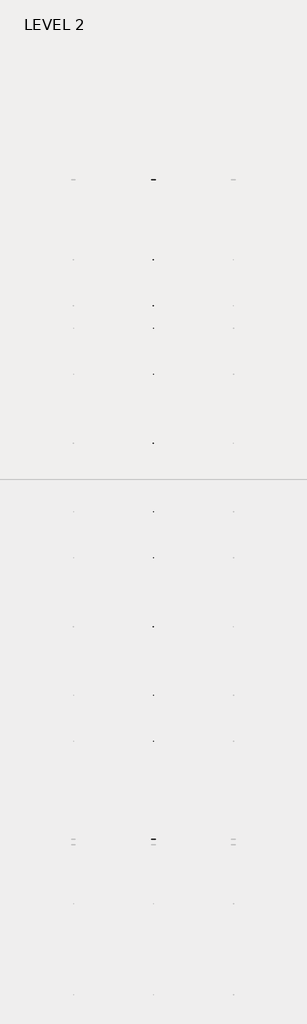
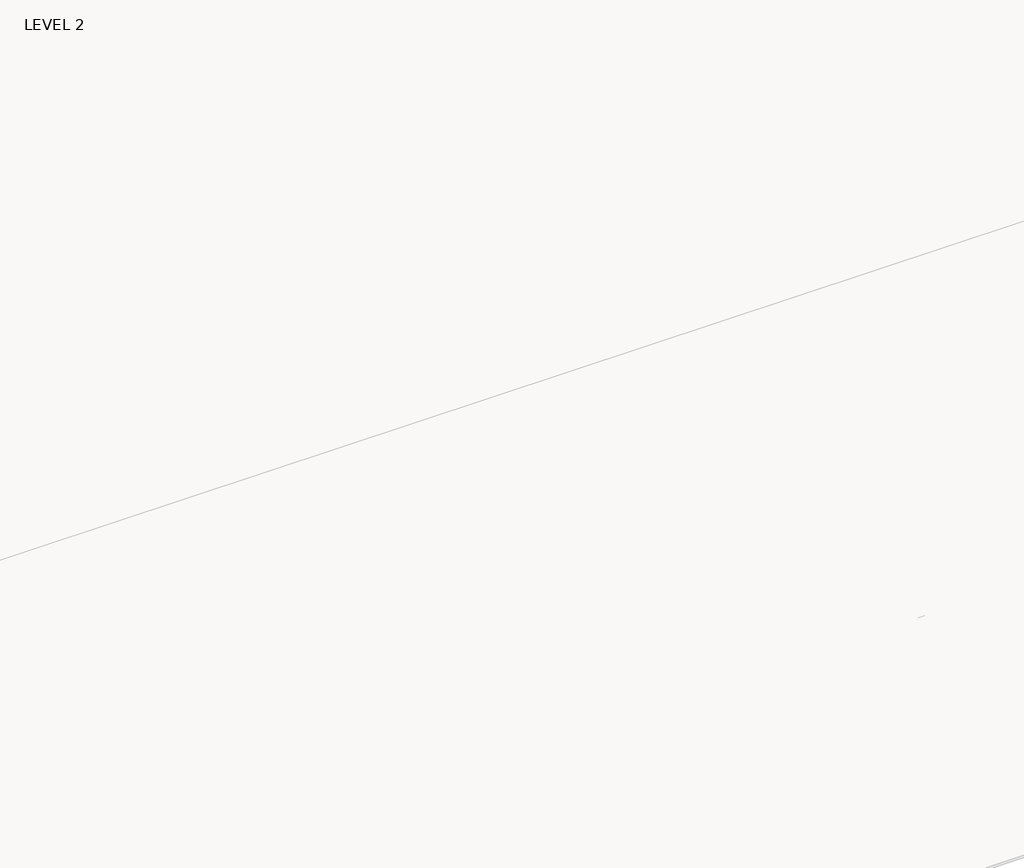
# One storey, part 34 of 67: 1 beam.
"""IFC4 building model written with IfcOpenShell, lengths in millimetres."""

from ifc_helpers import new_model, si_unit, frame, origin, place, context, project, spatial, polyline, outline, extrude, faceted_brep, element, save

model = new_model("IFC4")

# Units and contexts
model_context = context("Model", 3, world=origin())
ifc_project = project(units=[si_unit("LENGTHUNIT", "METRE", prefix="MILLI")], contexts=[model_context])

# Site, building, storey
site = spatial("IfcSite", under=ifc_project)
building = spatial("IfcBuilding", under=site)
storey = spatial("IfcBuildingStorey", under=building, Name="LEVEL 2", Elevation=6908.8)

# Beam
placement = place(None, origin())
element("IfcBeam", 1, ObjectType="K-Series Bar Joist-Angle Web : 30K7", at=placement, inside=storey, context=model_context, shape_type="SolidModel", body=[
    extrude(outline(polyline([(0.0, -9.525), (0.0, 0.0), (1596.011582, 0.0), (1596.011582, -9.525), (0.0, -9.525)])), frame((29301.0014942, 3035.5608234, 6301.5998528), z_axis=(0.0, -0.45537207995192985, 0.8903012236317849), x_axis=(0.0, -0.8903012236317849, -0.45537207995192985)), (0.0, 0.0, 1.0), 9.525),
    extrude(outline(polyline([(0.0, -9.525), (0.0, 0.0), (1596.011582, 0.0), (1596.011582, -9.525), (0.0, -9.525)])), frame((29291.4764942, -9405.2089013, 6276.405159), z_axis=(0.0, 0.45176233395621196, 0.8921383265046045), x_axis=(0.0, 0.8921383265046045, -0.45176233395621196)), (0.0, 0.0, 1.0), 9.525),
    extrude(outline(polyline([(4.7625, 4.7625), (4.7625, -4.7625), (-4.7625, -4.7625), (-4.7625, 4.7625), (4.7625, 4.7625)])), frame((29296.2389942, 1612.4610495, 5579.0607987), z_axis=(0.0, 0.5141906943646374, 0.8576758885667779), x_axis=(-1.0, 0.0, 0.0)), (0.0, 0.0, 1.0), 845.0528554),
    extrude(outline(polyline([(4.7625, 4.7625), (4.7625, -4.7625), (-4.7625, -4.7625), (-4.7625, 4.7625), (4.7625, 4.7625)])), frame((29296.2389942, -7979.1942813, 5559.6360505), z_axis=(0.0, -0.5176603441548682, 0.8555862131249332), x_axis=(-1.0, 0.0, 0.0)), (0.0, 0.0, 1.0), 845.0528554),
    extrude(outline(polyline([(0.0, 0.0), (31.75, 0.0), (31.75, -6.35), (6.35, -6.35), (6.35, -31.75), (0.0, -31.75), (0.0, 0.0)])), frame((29301.0014942, -8080.7812131, 5553.0803065), z_axis=(0.0, 0.9999979493462576, 0.0020251674695521043), x_axis=(1.0, 0.0, 0.0)), (0.0, 0.0, 1.0), 9794.875),
    extrude(outline(polyline([(-9.525, 0.0), (-9.525, -31.75), (-15.875, -31.75), (-15.875, -6.35), (-41.275, -6.35), (-41.275, 0.0), (-9.525, 0.0)])), frame((29301.0014942, -8080.7812131, 5553.0803065), z_axis=(0.0, 0.9999979493462576, 0.0020251674695521043), x_axis=(1.0, 0.0, 0.0)), (0.0, 0.0, 1.0), 9794.875),
    extrude(outline(polyline([(-31.75, 0.0), (0.0, 0.0), (0.0, -6.35), (-25.4, -6.35), (-25.4, -31.75), (-31.75, -31.75), (-31.75, 0.0)])), frame((29332.7514942, -9504.5928758, 6248.6982759), z_axis=(0.0, 0.9999979493462576, 0.0020251674695521043), x_axis=(1.0, 0.0, 0.0)), (0.0, 0.0, 1.0), 101.6),
    extrude(outline(polyline([(-41.275, 0.0), (-41.275, -31.75), (-47.625, -31.75), (-47.625, -6.35), (-73.025, -6.35), (-73.025, 0.0), (-41.275, 0.0)])), frame((29332.7514942, -9504.5928758, 6248.6982759), z_axis=(0.0, 0.9999979493462576, 0.0020251674695521043), x_axis=(1.0, 0.0, 0.0)), (0.0, 0.0, 1.0), 101.6),
    extrude(outline(polyline([(0.0, 0.0), (31.75, 0.0), (31.75, -6.35), (6.35, -6.35), (6.35, -31.75), (0.0, -31.75), (0.0, 0.0)])), frame((29291.4764942, 3033.456413, 6274.0899775), z_axis=(0.0, 0.9999979493462576, 0.0020251674695521043), x_axis=(0.0, -0.0020251674695521043, 0.9999979493462576)), (0.0, 0.0, 1.0), 101.6),
    extrude(outline(polyline([(0.0, 41.275), (6.35, 41.275), (6.35, 15.875), (31.75, 15.875), (31.75, 9.525), (0.0, 9.525), (0.0, 41.275)])), frame((29291.4764942, 3033.456413, 6274.0899775), z_axis=(0.0, 0.9999979493462576, 0.0020251674695521043), x_axis=(0.0, -0.0020251674695521043, 0.9999979493462576)), (0.0, 0.0, 1.0), 101.6),
    extrude(outline(polyline([(0.0, 0.0), (31.75, 0.0), (31.75, -6.35), (6.35, -6.35), (6.35, -31.75), (0.0, -31.75), (0.0, 0.0)])), frame((29301.0014942, -9504.7214739, 6312.1981457), z_axis=(0.0, 0.9999979493462576, 0.0020251674695521043), x_axis=(0.0, 0.0020251674695521043, -0.9999979493462576)), (0.0, 0.0, 1.0), 12639.675),
    extrude(outline(polyline([(0.0, 9.525), (0.0, 41.275), (6.35, 41.275), (6.35, 15.875), (31.75, 15.875), (31.75, 9.525), (0.0, 9.525)])), frame((29301.0014942, -9504.7214739, 6312.1981457), z_axis=(0.0, 0.9999979493462576, 0.0020251674695521043), x_axis=(0.0, 0.0020251674695521043, -0.9999979493462576)), (0.0, 0.0, 1.0), 12639.675),
    faceted_brep([(29296.2389942, 1612.4289, 5594.9357661), (29296.2389942, 1612.4674794, 5575.8858052), (29291.4764942, 1612.4674794, 5575.8858052), (29291.4764942, 1612.4289, 5594.9357661), (29296.2389942, 1611.5910583, 5594.9340693), (29296.2389942, 1186.8149607, 6330.6753354), (29296.2389942, 1168.6028414, 6330.6384527), (29296.2389942, 1168.6414208, 6311.5884918), (29296.2389942, 1175.8292494, 6311.6030483), (29296.2389942, 1600.6053471, 5575.8617823), (29291.4764942, 1600.6053471, 5575.8617823), (29291.4764942, 1580.4651011, 5610.7460665), (29291.4764942, 1584.5895575, 5613.1272983), (29291.4764942, 1189.1083632, 6298.1277874), (29291.4764942, 1184.9839067, 6295.7465555), (29291.4764942, 1175.8292494, 6311.6030483), (29291.4764942, 1168.6414208, 6311.5884918), (29291.4764942, 1168.6028414, 6330.6384527), (29291.4764942, 1186.8149607, 6330.6753354), (29291.4764942, 1611.5910583, 5594.9340693), (29278.7764942, 1184.9839067, 6295.7465555), (29278.7764942, 1580.4651011, 5610.7460665), (29278.7764942, 1584.5895575, 5613.1272983), (29278.7764942, 1189.1083632, 6298.1277874)], [[[0, 1, 2, 3]], [[1, 0, 4, 5, 6, 7, 8, 9]], [[2, 1, 9, 10]], [[3, 2, 10, 11, 12, 13, 14, 15, 16, 17, 18, 19]], [[0, 3, 19, 4]], [[9, 8, 15, 14, 20, 21, 11, 10]], [[5, 4, 19, 18]], [[7, 6, 17, 16]], [[8, 7, 16, 15]], [[6, 5, 18, 17]], [[21, 22, 12, 11]], [[20, 14, 13, 23]], [[22, 21, 20, 23]], [[12, 22, 23, 13]]]),
    extrude(outline(polyline([(740.498813, 5574.119919), (740.4602335, 5593.1698799), (741.2980751, 5593.1715767), (1163.090696, 6330.6272897), (1181.3028154, 6330.6641723), (1181.3413948, 6311.6142114), (1174.1535662, 6311.5996548), (752.3609453, 5574.1439418), (740.498813, 5574.119919)])), frame((29296.2389942, 0.0, 0.0), z_axis=(1.0, 0.0, 0.0), x_axis=(0.0, 1.0, 0.0)), (0.0, 0.0, 1.0), 4.7625),
    extrude(outline(polyline([(-4.7625, 4.7625), (-4.7625, 0.0), (-17.4625, 0.0), (-17.4625, 4.7625), (-4.7625, 4.7625)])), frame((29296.2389942, 772.3597334, 5609.1095144), z_axis=(0.0, 0.4964843899757221, 0.8680456500152716), x_axis=(-1.0, 0.0, 0.0)), (0.0, 0.0, 1.0), 790.9684223),
    faceted_brep([(29296.2389942, -7107.2577644, 5577.2769041), (29296.2389942, -7107.219185, 5558.2269432), (29291.4764942, -7107.219185, 5558.2269432), (29291.4764942, -7107.2577644, 5577.2769041), (29296.2389942, -7108.095606, 5577.2752074), (29296.2389942, -7532.8717036, 6313.0164734), (29296.2389942, -7551.083823, 6312.9795907), (29296.2389942, -7551.0452435, 6293.9296298), (29296.2389942, -7543.8574149, 6293.9441864), (29296.2389942, -7119.0813173, 5558.2029203), (29291.4764942, -7119.0813173, 5558.2029203), (29291.4764942, -7139.2215633, 5593.0872045), (29291.4764942, -7135.0971068, 5595.4684363), (29291.4764942, -7530.5783012, 6280.4689254), (29291.4764942, -7534.7027576, 6278.0876936), (29291.4764942, -7543.8574149, 6293.9441864), (29291.4764942, -7551.0452435, 6293.9296298), (29291.4764942, -7551.083823, 6312.9795907), (29291.4764942, -7532.8717036, 6313.0164734), (29291.4764942, -7108.095606, 5577.2752074), (29278.7764942, -7534.7027576, 6278.0876936), (29278.7764942, -7139.2215633, 5593.0872045), (29278.7764942, -7135.0971068, 5595.4684363), (29278.7764942, -7530.5783012, 6280.4689254)], [[[0, 1, 2, 3]], [[1, 0, 4, 5, 6, 7, 8, 9]], [[2, 1, 9, 10]], [[3, 2, 10, 11, 12, 13, 14, 15, 16, 17, 18, 19]], [[0, 3, 19, 4]], [[9, 8, 15, 14, 20, 21, 11, 10]], [[5, 4, 19, 18]], [[7, 6, 17, 16]], [[8, 7, 16, 15]], [[6, 5, 18, 17]], [[21, 22, 12, 11]], [[20, 14, 13, 23]], [[22, 21, 20, 23]], [[12, 22, 23, 13]]]),
    extrude(outline(polyline([(-7979.1878514, 5556.461057), (-7979.2264308, 5575.5110179), (-7978.3885892, 5575.5127147), (-7556.5959683, 6312.9684277), (-7538.383849, 6313.0053103), (-7538.3452696, 6293.9553494), (-7545.5330982, 6293.9407928), (-7967.3257191, 5556.4850798), (-7979.1878514, 5556.461057)])), frame((29296.2389942, 0.0, 0.0), z_axis=(1.0, 0.0, 0.0), x_axis=(0.0, 1.0, 0.0)), (0.0, 0.0, 1.0), 4.7625),
    extrude(outline(polyline([(-4.7625, 4.7625), (-4.7625, 0.0), (-17.4625, 0.0), (-17.4625, 4.7625), (-4.7625, 4.7625)])), frame((29296.2389942, -7947.326931, 5591.4506524), z_axis=(0.0, 0.4964843899757221, 0.8680456500152716), x_axis=(-1.0, 0.0, 0.0)), (0.0, 0.0, 1.0), 790.9684223),
    faceted_brep([(29296.2389942, 740.4602335, 5593.1698799), (29296.2389942, 740.498813, 5574.119919), (29291.4764942, 740.498813, 5574.119919), (29291.4764942, 740.4602335, 5593.1698799), (29296.2389942, 739.6223919, 5593.1681831), (29296.2389942, 314.8462943, 6328.9094492), (29296.2389942, 296.634175, 6328.8725665), (29296.2389942, 296.6727544, 6309.8226056), (29296.2389942, 303.860583, 6309.8371621), (29296.2389942, 728.6366806, 5574.0958961), (29291.4764942, 728.6366806, 5574.0958961), (29291.4764942, 708.4964346, 5608.9801803), (29291.4764942, 712.6208911, 5611.3614121), (29291.4764942, 317.1396968, 6296.3619012), (29291.4764942, 313.0152403, 6293.9806693), (29291.4764942, 303.860583, 6309.8371621), (29291.4764942, 296.6727544, 6309.8226056), (29291.4764942, 296.634175, 6328.8725665), (29291.4764942, 314.8462943, 6328.9094492), (29291.4764942, 739.6223919, 5593.1681831), (29278.7764942, 313.0152403, 6293.9806693), (29278.7764942, 708.4964346, 5608.9801803), (29278.7764942, 712.6208911, 5611.3614121), (29278.7764942, 317.1396968, 6296.3619012)], [[[0, 1, 2, 3]], [[1, 0, 4, 5, 6, 7, 8, 9]], [[2, 1, 9, 10]], [[3, 2, 10, 11, 12, 13, 14, 15, 16, 17, 18, 19]], [[0, 3, 19, 4]], [[9, 8, 15, 14, 20, 21, 11, 10]], [[5, 4, 19, 18]], [[7, 6, 17, 16]], [[8, 7, 16, 15]], [[6, 5, 18, 17]], [[21, 22, 12, 11]], [[20, 14, 13, 23]], [[22, 21, 20, 23]], [[12, 22, 23, 13]]]),
    extrude(outline(polyline([(-131.4698535, 5572.3540328), (-131.5084329, 5591.4039937), (-130.6705913, 5591.4056905), (291.1220296, 6328.8614035), (309.3341489, 6328.8982861), (309.3727284, 6309.8483252), (302.1848998, 6309.8337686), (-119.6077211, 5572.3780556), (-131.4698535, 5572.3540328)])), frame((29296.2389942, 0.0, 0.0), z_axis=(1.0, 0.0, 0.0), x_axis=(0.0, 1.0, 0.0)), (0.0, 0.0, 1.0), 4.7625),
    extrude(outline(polyline([(-4.7625, 4.7625), (-4.7625, 0.0), (-17.4625, 0.0), (-17.4625, 4.7625), (-4.7625, 4.7625)])), frame((29296.2389942, -99.6089331, 5607.3436282), z_axis=(0.0, 0.4964843899757221, 0.8680456500152716), x_axis=(-1.0, 0.0, 0.0)), (0.0, 0.0, 1.0), 790.9684223),
    faceted_brep([(29296.2389942, -131.5084329, 5591.4039937), (29296.2389942, -131.4698535, 5572.3540328), (29291.4764942, -131.4698535, 5572.3540328), (29291.4764942, -131.5084329, 5591.4039937), (29296.2389942, -132.3462745, 5591.4022969), (29296.2389942, -557.1223722, 6327.143563), (29296.2389942, -575.3344915, 6327.1066803), (29296.2389942, -575.295912, 6308.0567194), (29296.2389942, -568.1080834, 6308.0712759), (29296.2389942, -143.3319858, 5572.3300099), (29291.4764942, -143.3319858, 5572.3300099), (29291.4764942, -163.4722318, 5607.2142941), (29291.4764942, -159.3477753, 5609.5955259), (29291.4764942, -554.8289697, 6294.596015), (29291.4764942, -558.9534262, 6292.2147831), (29291.4764942, -568.1080834, 6308.0712759), (29291.4764942, -575.295912, 6308.0567194), (29291.4764942, -575.3344915, 6327.1066803), (29291.4764942, -557.1223722, 6327.143563), (29291.4764942, -132.3462745, 5591.4022969), (29278.7764942, -558.9534262, 6292.2147831), (29278.7764942, -163.4722318, 5607.2142941), (29278.7764942, -159.3477753, 5609.5955259), (29278.7764942, -554.8289697, 6294.596015)], [[[0, 1, 2, 3]], [[1, 0, 4, 5, 6, 7, 8, 9]], [[2, 1, 9, 10]], [[3, 2, 10, 11, 12, 13, 14, 15, 16, 17, 18, 19]], [[0, 3, 19, 4]], [[9, 8, 15, 14, 20, 21, 11, 10]], [[5, 4, 19, 18]], [[7, 6, 17, 16]], [[8, 7, 16, 15]], [[6, 5, 18, 17]], [[21, 22, 12, 11]], [[20, 14, 13, 23]], [[22, 21, 20, 23]], [[12, 22, 23, 13]]]),
    extrude(outline(polyline([(-1003.4385199, 5570.5881466), (-1003.4770993, 5589.6381075), (-1002.6392577, 5589.6398043), (-580.8466368, 6327.0955173), (-562.6345175, 6327.1323999), (-562.5959381, 6308.082439), (-569.7837667, 6308.0678824), (-991.5763876, 5570.6121694), (-1003.4385199, 5570.5881466)])), frame((29296.2389942, 0.0, 0.0), z_axis=(1.0, 0.0, 0.0), x_axis=(0.0, 1.0, 0.0)), (0.0, 0.0, 1.0), 4.7625),
    extrude(outline(polyline([(-4.7625, 4.7625), (-4.7625, 0.0), (-17.4625, 0.0), (-17.4625, 4.7625), (-4.7625, 4.7625)])), frame((29296.2389942, -971.5775995, 5605.577742), z_axis=(0.0, 0.4964843899757221, 0.8680456500152716), x_axis=(-1.0, 0.0, 0.0)), (0.0, 0.0, 1.0), 790.9684223),
    faceted_brep([(29296.2389942, -1003.4770993, 5589.6381075), (29296.2389942, -1003.4385199, 5570.5881466), (29291.4764942, -1003.4385199, 5570.5881466), (29291.4764942, -1003.4770993, 5589.6381075), (29296.2389942, -1004.314941, 5589.6364107), (29296.2389942, -1429.0910386, 6325.3776768), (29296.2389942, -1447.3031579, 6325.3407941), (29296.2389942, -1447.2645785, 6306.2908332), (29296.2389942, -1440.0767499, 6306.3053897), (29296.2389942, -1015.3006522, 5570.5641237), (29291.4764942, -1015.3006522, 5570.5641237), (29291.4764942, -1035.4408983, 5605.4484079), (29291.4764942, -1031.3164418, 5607.8296397), (29291.4764942, -1426.7976361, 6292.8301288), (29291.4764942, -1430.9220926, 6290.4488969), (29291.4764942, -1440.0767499, 6306.3053897), (29291.4764942, -1447.2645785, 6306.2908332), (29291.4764942, -1447.3031579, 6325.3407941), (29291.4764942, -1429.0910386, 6325.3776768), (29291.4764942, -1004.314941, 5589.6364107), (29278.7764942, -1430.9220926, 6290.4488969), (29278.7764942, -1035.4408983, 5605.4484079), (29278.7764942, -1031.3164418, 5607.8296397), (29278.7764942, -1426.7976361, 6292.8301288)], [[[0, 1, 2, 3]], [[1, 0, 4, 5, 6, 7, 8, 9]], [[2, 1, 9, 10]], [[3, 2, 10, 11, 12, 13, 14, 15, 16, 17, 18, 19]], [[0, 3, 19, 4]], [[9, 8, 15, 14, 20, 21, 11, 10]], [[5, 4, 19, 18]], [[7, 6, 17, 16]], [[8, 7, 16, 15]], [[6, 5, 18, 17]], [[21, 22, 12, 11]], [[20, 14, 13, 23]], [[22, 21, 20, 23]], [[12, 22, 23, 13]]]),
    extrude(outline(polyline([(-1875.4071863, 5568.8222604), (-1875.4457658, 5587.8722213), (-1874.6079242, 5587.8739181), (-1452.8153033, 6325.3296311), (-1434.6031839, 6325.3665137), (-1434.5646045, 6306.3165528), (-1441.7524331, 6306.3019962), (-1863.545054, 5568.8462832), (-1875.4071863, 5568.8222604)])), frame((29296.2389942, 0.0, 0.0), z_axis=(1.0, 0.0, 0.0), x_axis=(0.0, 1.0, 0.0)), (0.0, 0.0, 1.0), 4.7625),
    extrude(outline(polyline([(-4.7625, 4.7625001), (-4.7625, 0.0), (-17.4625, 0.0), (-17.4625, 4.7625001), (-4.7625, 4.7625001)])), frame((29296.2389942, -1843.5462659, 5603.8118558), z_axis=(0.0, 0.4964843899757221, 0.8680456500152716), x_axis=(-1.0, 0.0, 0.0)), (0.0, 0.0, 1.0), 790.9684223),
    faceted_brep([(29296.2389942, -1875.4457658, 5587.8722213), (29296.2389942, -1875.4071863, 5568.8222604), (29291.4764942, -1875.4071863, 5568.8222604), (29291.4764942, -1875.4457658, 5587.8722213), (29296.2389942, -1876.2836074, 5587.8705245), (29296.2389942, -2301.059705, 6323.6117906), (29296.2389942, -2319.2718243, 6323.5749079), (29296.2389942, -2319.2332449, 6304.524947), (29296.2389942, -2312.0454163, 6304.5395035), (29296.2389942, -1887.2693187, 5568.7982375), (29291.4764942, -1887.2693187, 5568.7982375), (29291.4764942, -1907.4095647, 5603.6825217), (29291.4764942, -1903.2851082, 5606.0637535), (29291.4764942, -2298.7663026, 6291.0642426), (29291.4764942, -2302.890759, 6288.6830107), (29291.4764942, -2312.0454163, 6304.5395035), (29291.4764942, -2319.2332449, 6304.524947), (29291.4764942, -2319.2718243, 6323.5749079), (29291.4764942, -2301.059705, 6323.6117906), (29291.4764942, -1876.2836074, 5587.8705245), (29278.7764942, -2302.890759, 6288.6830107), (29278.7764942, -1907.4095647, 5603.6825217), (29278.7764942, -1903.2851082, 5606.0637535), (29278.7764942, -2298.7663026, 6291.0642426)], [[[0, 1, 2, 3]], [[1, 0, 4, 5, 6, 7, 8, 9]], [[2, 1, 9, 10]], [[3, 2, 10, 11, 12, 13, 14, 15, 16, 17, 18, 19]], [[0, 3, 19, 4]], [[9, 8, 15, 14, 20, 21, 11, 10]], [[5, 4, 19, 18]], [[7, 6, 17, 16]], [[8, 7, 16, 15]], [[6, 5, 18, 17]], [[21, 22, 12, 11]], [[20, 14, 13, 23]], [[22, 21, 20, 23]], [[12, 22, 23, 13]]]),
    extrude(outline(polyline([(-2747.3758528, 5567.0563742), (-2747.4144322, 5586.1063351), (-2746.5765906, 5586.1080319), (-2324.7839697, 6323.5637449), (-2306.5718504, 6323.6006275), (-2306.5332709, 6304.5506666), (-2313.7210995, 6304.53611), (-2735.5137204, 5567.080397), (-2747.3758528, 5567.0563742)])), frame((29296.2389942, 0.0, 0.0), z_axis=(1.0, 0.0, 0.0), x_axis=(0.0, 1.0, 0.0)), (0.0, 0.0, 1.0), 4.7625),
    extrude(outline(polyline([(-4.7625, 4.7625), (-4.7625, 0.0), (-17.4625, 0.0), (-17.4625, 4.7625), (-4.7625, 4.7625)])), frame((29296.2389942, -2715.5149324, 5602.0459696), z_axis=(0.0, 0.4964843899757221, 0.8680456500152716), x_axis=(-1.0, 0.0, 0.0)), (0.0, 0.0, 1.0), 790.9684223),
    faceted_brep([(29296.2389942, -2747.4144322, 5586.1063351), (29296.2389942, -2747.3758528, 5567.0563742), (29291.4764942, -2747.3758528, 5567.0563742), (29291.4764942, -2747.4144322, 5586.1063351), (29296.2389942, -2748.2522738, 5586.1046383), (29296.2389942, -3173.0283715, 6321.8459044), (29296.2389942, -3191.2404908, 6321.8090217), (29296.2389942, -3191.2019113, 6302.7590608), (29296.2389942, -3184.0140827, 6302.7736173), (29296.2389942, -2759.2379851, 5567.0323513), (29291.4764942, -2759.2379851, 5567.0323513), (29291.4764942, -2779.3782311, 5601.9166355), (29291.4764942, -2775.2537747, 5604.2978673), (29291.4764942, -3170.734969, 6289.2983564), (29291.4764942, -3174.8594255, 6286.9171245), (29291.4764942, -3184.0140827, 6302.7736173), (29291.4764942, -3191.2019113, 6302.7590608), (29291.4764942, -3191.2404908, 6321.8090217), (29291.4764942, -3173.0283715, 6321.8459044), (29291.4764942, -2748.2522738, 5586.1046383), (29278.7764942, -3174.8594255, 6286.9171245), (29278.7764942, -2779.3782311, 5601.9166355), (29278.7764942, -2775.2537747, 5604.2978673), (29278.7764942, -3170.734969, 6289.2983564)], [[[0, 1, 2, 3]], [[1, 0, 4, 5, 6, 7, 8, 9]], [[2, 1, 9, 10]], [[3, 2, 10, 11, 12, 13, 14, 15, 16, 17, 18, 19]], [[0, 3, 19, 4]], [[9, 8, 15, 14, 20, 21, 11, 10]], [[5, 4, 19, 18]], [[7, 6, 17, 16]], [[8, 7, 16, 15]], [[6, 5, 18, 17]], [[21, 22, 12, 11]], [[20, 14, 13, 23]], [[22, 21, 20, 23]], [[12, 22, 23, 13]]]),
    extrude(outline(polyline([(-3619.3445192, 5565.290488), (-3619.3830987, 5584.3404489), (-3618.545257, 5584.3421457), (-3196.7526361, 6321.7978587), (-3178.5405168, 6321.8347413), (-3178.5019374, 6302.7847804), (-3185.689766, 6302.7702238), (-3607.4823869, 5565.3145108), (-3619.3445192, 5565.290488)])), frame((29296.2389942, 0.0, 0.0), z_axis=(1.0, 0.0, 0.0), x_axis=(0.0, 1.0, 0.0)), (0.0, 0.0, 1.0), 4.7625),
    extrude(outline(polyline([(-4.7625, 4.7625), (-4.7625, 0.0), (-17.4625, 0.0), (-17.4625, 4.7625), (-4.7625, 4.7625)])), frame((29296.2389942, -3587.4835988, 5600.2800834), z_axis=(0.0, 0.4964843899757221, 0.8680456500152716), x_axis=(-1.0, 0.0, 0.0)), (0.0, 0.0, 1.0), 790.9684223),
    faceted_brep([(29296.2389942, -3619.3830987, 5584.3404489), (29296.2389942, -3619.3445192, 5565.290488), (29291.4764942, -3619.3445192, 5565.290488), (29291.4764942, -3619.3830987, 5584.3404489), (29296.2389942, -3620.2209403, 5584.3387521), (29296.2389942, -4044.9970379, 6320.0800182), (29296.2389942, -4063.2091572, 6320.0431355), (29296.2389942, -4063.1705778, 6300.9931746), (29296.2389942, -4055.9827492, 6301.0077311), (29296.2389942, -3631.2066516, 5565.2664651), (29291.4764942, -3631.2066516, 5565.2664651), (29291.4764942, -3651.3468976, 5600.1507493), (29291.4764942, -3647.2224411, 5602.5319811), (29291.4764942, -4042.7036354, 6287.5324702), (29291.4764942, -4046.8280919, 6285.1512383), (29291.4764942, -4055.9827492, 6301.0077311), (29291.4764942, -4063.1705778, 6300.9931746), (29291.4764942, -4063.2091572, 6320.0431355), (29291.4764942, -4044.9970379, 6320.0800182), (29291.4764942, -3620.2209403, 5584.3387521), (29278.7764942, -4046.8280919, 6285.1512383), (29278.7764942, -3651.3468976, 5600.1507493), (29278.7764942, -3647.2224411, 5602.5319811), (29278.7764942, -4042.7036354, 6287.5324702)], [[[0, 1, 2, 3]], [[1, 0, 4, 5, 6, 7, 8, 9]], [[2, 1, 9, 10]], [[3, 2, 10, 11, 12, 13, 14, 15, 16, 17, 18, 19]], [[0, 3, 19, 4]], [[9, 8, 15, 14, 20, 21, 11, 10]], [[5, 4, 19, 18]], [[7, 6, 17, 16]], [[8, 7, 16, 15]], [[6, 5, 18, 17]], [[21, 22, 12, 11]], [[20, 14, 13, 23]], [[22, 21, 20, 23]], [[12, 22, 23, 13]]]),
    extrude(outline(polyline([(-4491.3131857, 5563.5246018), (-4491.3517651, 5582.5745627), (-4490.5139235, 5582.5762595), (-4068.7213026, 6320.0319725), (-4050.5091833, 6320.0688551), (-4050.4706038, 6301.0188942), (-4057.6584324, 6301.0043376), (-4479.4510533, 5563.5486246), (-4491.3131857, 5563.5246018)])), frame((29296.2389942, 0.0, 0.0), z_axis=(1.0, 0.0, 0.0), x_axis=(0.0, 1.0, 0.0)), (0.0, 0.0, 1.0), 4.7625),
    extrude(outline(polyline([(-4.7625, 4.7625), (-4.7625, 0.0), (-17.4625, 0.0), (-17.4625, 4.7625), (-4.7625, 4.7625)])), frame((29296.2389942, -4459.4522653, 5598.5141972), z_axis=(0.0, 0.4964843899757221, 0.8680456500152716), x_axis=(-1.0, 0.0, 0.0)), (0.0, 0.0, 1.0), 790.9684223),
    faceted_brep([(29296.2389942, -4491.3517651, 5582.5745627), (29296.2389942, -4491.3131857, 5563.5246018), (29291.4764942, -4491.3131857, 5563.5246018), (29291.4764942, -4491.3517651, 5582.5745627), (29296.2389942, -4492.1896067, 5582.572866), (29296.2389942, -4916.9657043, 6318.314132), (29296.2389942, -4935.1778236, 6318.2772493), (29296.2389942, -4935.1392442, 6299.2272884), (29296.2389942, -4927.9514156, 6299.241845), (29296.2389942, -4503.175318, 5563.5005789), (29291.4764942, -4503.175318, 5563.5005789), (29291.4764942, -4523.315564, 5598.3848631), (29291.4764942, -4519.1911075, 5600.7660949), (29291.4764942, -4914.6723019, 6285.766584), (29291.4764942, -4918.7967583, 6283.3853521), (29291.4764942, -4927.9514156, 6299.241845), (29291.4764942, -4935.1392442, 6299.2272884), (29291.4764942, -4935.1778236, 6318.2772493), (29291.4764942, -4916.9657043, 6318.314132), (29291.4764942, -4492.1896067, 5582.572866), (29278.7764942, -4918.7967583, 6283.3853521), (29278.7764942, -4523.315564, 5598.3848631), (29278.7764942, -4519.1911075, 5600.7660949), (29278.7764942, -4914.6723019, 6285.766584)], [[[0, 1, 2, 3]], [[1, 0, 4, 5, 6, 7, 8, 9]], [[2, 1, 9, 10]], [[3, 2, 10, 11, 12, 13, 14, 15, 16, 17, 18, 19]], [[0, 3, 19, 4]], [[9, 8, 15, 14, 20, 21, 11, 10]], [[5, 4, 19, 18]], [[7, 6, 17, 16]], [[8, 7, 16, 15]], [[6, 5, 18, 17]], [[21, 22, 12, 11]], [[20, 14, 13, 23]], [[22, 21, 20, 23]], [[12, 22, 23, 13]]]),
    extrude(outline(polyline([(-5363.2818521, 5561.7587156), (-5363.3204315, 5580.8086765), (-5362.4825899, 5580.8103733), (-4940.689969, 6318.2660863), (-4922.4778497, 6318.3029689), (-4922.4392703, 6299.253008), (-4929.6270988, 6299.2384514), (-5351.4197198, 5561.7827384), (-5363.2818521, 5561.7587156)])), frame((29296.2389942, 0.0, 0.0), z_axis=(1.0, 0.0, 0.0), x_axis=(0.0, 1.0, 0.0)), (0.0, 0.0, 1.0), 4.7625),
    extrude(outline(polyline([(-4.7625, 4.7625), (-4.7625, 0.0), (-17.4625, 0.0), (-17.4625, 4.7625), (-4.7625, 4.7625)])), frame((29296.2389942, -5331.4209317, 5596.748311), z_axis=(0.0, 0.4964843899757221, 0.8680456500152716), x_axis=(-1.0, 0.0, 0.0)), (0.0, 0.0, 1.0), 790.9684223),
    faceted_brep([(29296.2389942, -5363.3204315, 5580.8086765), (29296.2389942, -5363.2818521, 5561.7587156), (29291.4764942, -5363.2818521, 5561.7587156), (29291.4764942, -5363.3204315, 5580.8086765), (29296.2389942, -5364.1582731, 5580.8069798), (29296.2389942, -5788.9343708, 6316.5482458), (29296.2389942, -5807.1464901, 6316.5113631), (29296.2389942, -5807.1079106, 6297.4614022), (29296.2389942, -5799.920082, 6297.4759588), (29296.2389942, -5375.1439844, 5561.7346927), (29291.4764942, -5375.1439844, 5561.7346927), (29291.4764942, -5395.2842304, 5596.6189769), (29291.4764942, -5391.159774, 5599.0002087), (29291.4764942, -5786.6409683, 6284.0006978), (29291.4764942, -5790.7654248, 6281.6194659), (29291.4764942, -5799.920082, 6297.4759588), (29291.4764942, -5807.1079106, 6297.4614022), (29291.4764942, -5807.1464901, 6316.5113631), (29291.4764942, -5788.9343708, 6316.5482458), (29291.4764942, -5364.1582731, 5580.8069798), (29278.7764942, -5790.7654248, 6281.6194659), (29278.7764942, -5395.2842304, 5596.6189769), (29278.7764942, -5391.159774, 5599.0002087), (29278.7764942, -5786.6409683, 6284.0006978)], [[[0, 1, 2, 3]], [[1, 0, 4, 5, 6, 7, 8, 9]], [[2, 1, 9, 10]], [[3, 2, 10, 11, 12, 13, 14, 15, 16, 17, 18, 19]], [[0, 3, 19, 4]], [[9, 8, 15, 14, 20, 21, 11, 10]], [[5, 4, 19, 18]], [[7, 6, 17, 16]], [[8, 7, 16, 15]], [[6, 5, 18, 17]], [[21, 22, 12, 11]], [[20, 14, 13, 23]], [[22, 21, 20, 23]], [[12, 22, 23, 13]]]),
    extrude(outline(polyline([(-6235.2505185, 5559.9928294), (-6235.289098, 5579.0427903), (-6234.4512563, 5579.0444871), (-5812.6586354, 6316.5002001), (-5794.4465161, 6316.5370827), (-5794.4079367, 6297.4871218), (-5801.5957653, 6297.4725652), (-6223.3883862, 5560.0168522), (-6235.2505185, 5559.9928294)])), frame((29296.2389942, 0.0, 0.0), z_axis=(1.0, 0.0, 0.0), x_axis=(0.0, 1.0, 0.0)), (0.0, 0.0, 1.0), 4.7625),
    extrude(outline(polyline([(-4.7625, 4.7625), (-4.7625, 0.0), (-17.4625, 0.0), (-17.4625, 4.7625), (-4.7625, 4.7625)])), frame((29296.2389942, -6203.3895981, 5594.9824248), z_axis=(0.0, 0.4964843899757221, 0.8680456500152716), x_axis=(-1.0, 0.0, 0.0)), (0.0, 0.0, 1.0), 790.9684223),
    faceted_brep([(29296.2389942, -6235.289098, 5579.0427903), (29296.2389942, -6235.2505185, 5559.9928294), (29291.4764942, -6235.2505185, 5559.9928294), (29291.4764942, -6235.289098, 5579.0427903), (29296.2389942, -6236.1269396, 5579.0410936), (29296.2389942, -6660.9030372, 6314.7823596), (29296.2389942, -6679.1151565, 6314.7454769), (29296.2389942, -6679.0765771, 6295.695516), (29296.2389942, -6671.8887485, 6295.7100726), (29296.2389942, -6247.1126509, 5559.9688065), (29291.4764942, -6247.1126509, 5559.9688065), (29291.4764942, -6267.2528969, 5594.8530907), (29291.4764942, -6263.1284404, 5597.2343225), (29291.4764942, -6658.6096347, 6282.2348116), (29291.4764942, -6662.7340912, 6279.8535798), (29291.4764942, -6671.8887485, 6295.7100726), (29291.4764942, -6679.0765771, 6295.695516), (29291.4764942, -6679.1151565, 6314.7454769), (29291.4764942, -6660.9030372, 6314.7823596), (29291.4764942, -6236.1269396, 5579.0410936), (29278.7764942, -6662.7340912, 6279.8535798), (29278.7764942, -6267.2528969, 5594.8530907), (29278.7764942, -6263.1284404, 5597.2343225), (29278.7764942, -6658.6096347, 6282.2348116)], [[[0, 1, 2, 3]], [[1, 0, 4, 5, 6, 7, 8, 9]], [[2, 1, 9, 10]], [[3, 2, 10, 11, 12, 13, 14, 15, 16, 17, 18, 19]], [[0, 3, 19, 4]], [[9, 8, 15, 14, 20, 21, 11, 10]], [[5, 4, 19, 18]], [[7, 6, 17, 16]], [[8, 7, 16, 15]], [[6, 5, 18, 17]], [[21, 22, 12, 11]], [[20, 14, 13, 23]], [[22, 21, 20, 23]], [[12, 22, 23, 13]]]),
    extrude(outline(polyline([(-7107.219185, 5558.2269432), (-7107.2577644, 5577.2769041), (-7106.4199228, 5577.2786009), (-6684.6273019, 6314.7343139), (-6666.4151826, 6314.7711965), (-6666.3766031, 6295.7212356), (-6673.5644317, 6295.706679), (-7095.3570526, 5558.250966), (-7107.219185, 5558.2269432)])), frame((29296.2389942, 0.0, 0.0), z_axis=(1.0, 0.0, 0.0), x_axis=(0.0, 1.0, 0.0)), (0.0, 0.0, 1.0), 4.7625),
    extrude(outline(polyline([(-4.7625, 4.7625), (-4.7625, 0.0), (-17.4625, 0.0), (-17.4625, 4.7625), (-4.7625, 4.7625)])), frame((29296.2389942, -7075.3582646, 5593.2165386), z_axis=(0.0, 0.4964843899757221, 0.8680456500152716), x_axis=(-1.0, 0.0, 0.0)), (0.0, 0.0, 1.0), 790.9684223),
])

save(model, "model.ifc")
